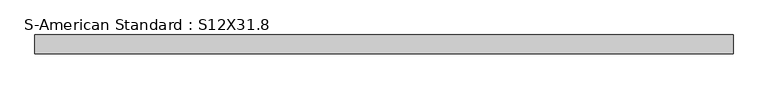
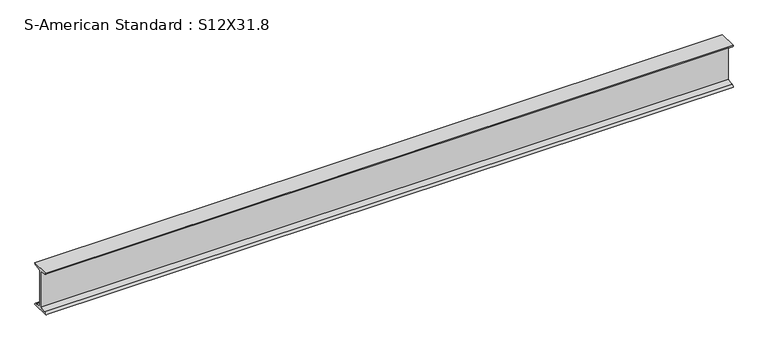
"""IFC4 building model written with IfcOpenShell, lengths in millimetres: beam geometry, S-American Standard : S12X31.8."""

from ifc_helpers import new_model, si_unit, point, frame, frame_2d, origin, place, context, project, spatial, polyline, circle_curve, trimmed, segment, composite_curve, outline, extrude, source, transform, mapped, element, save


def s_american_standard_s12x31_8_6d8d640b(model_context):
    return source(origin(), model_context, "Body", "SweptSolid", [
        extrude(outline(composite_curve([segment(polyline([(-63.5, 152.4), (63.5, 152.4)]), True, "CONTINUOUS"), segment(trimmed(circle_curve(frame_2d((49.7, 152.4)), 13.8), [point((63.5, 152.4))], [point((49.7, 138.6))], False, "CARTESIAN"), True, "CONTINUOUS"), segment(polyline([(49.7, 138.6), (4.45, 131.4331041), (4.45, -131.4331041), (49.7, -138.6)]), True, "CONTINUOUS"), segment(trimmed(circle_curve(frame_2d((49.7, -152.4)), 13.8), [point((49.7, -138.6))], [point((63.5, -152.4))], False, "CARTESIAN"), True, "CONTINUOUS"), segment(polyline([(63.5, -152.4), (-63.5, -152.4)]), True, "CONTINUOUS"), segment(trimmed(circle_curve(frame_2d((-49.7, -152.4)), 13.8), [point((-63.5, -152.4))], [point((-49.7, -138.6))], False, "CARTESIAN"), True, "CONTINUOUS"), segment(polyline([(-49.7, -138.6), (-4.45, -131.4331041), (-4.45, 131.4331041), (-49.7, 138.6)]), True, "CONTINUOUS"), segment(trimmed(circle_curve(frame_2d((-49.7, 152.4)), 13.8), [point((-49.7, 138.6))], [point((-63.5, 152.4))], False, "CARTESIAN"), True, "CONTINUOUS")], self_intersect=False)), frame((-2369.3732119, 0.0, 0.0), z_axis=(1.0, 0.0, 0.0), x_axis=(0.0, 1.0, 0.0)), (0.0, 0.0, 1.0), 4746.2358424),
    ])


if __name__ == "__main__":
    model = new_model("IFC4")
    model_context = context("Model", 3, world=origin())
    ifc_project = project(units=[si_unit("LENGTHUNIT", "METRE", prefix="MILLI")], contexts=[model_context])
    site = spatial("IfcSite", under=ifc_project)
    building = spatial("IfcBuilding", under=site)
    placement = place(None, origin())
    s_american_standard_s12x31_8_shape = s_american_standard_s12x31_8_6d8d640b(model_context)
    element("IfcBeam", 1, ObjectType="S-American Standard : S12X31.8", at=placement, inside=building, context=model_context, shape_type="MappedRepresentation", body=[
        mapped(s_american_standard_s12x31_8_shape, transform((0.0, 0.0, 0.0), x_axis=(1.0, 0.0, 0.0), y_axis=(0.0, 1.0, 0.0), z_axis=(0.0, 0.0, 1.0))),
    ])
    save(model, "model.ifc")
